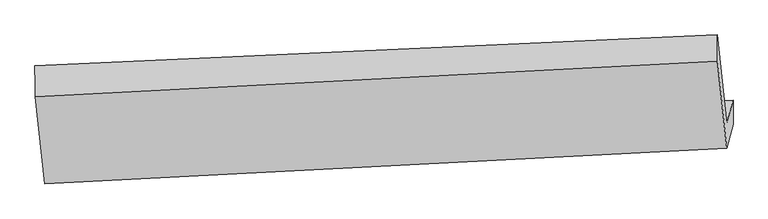
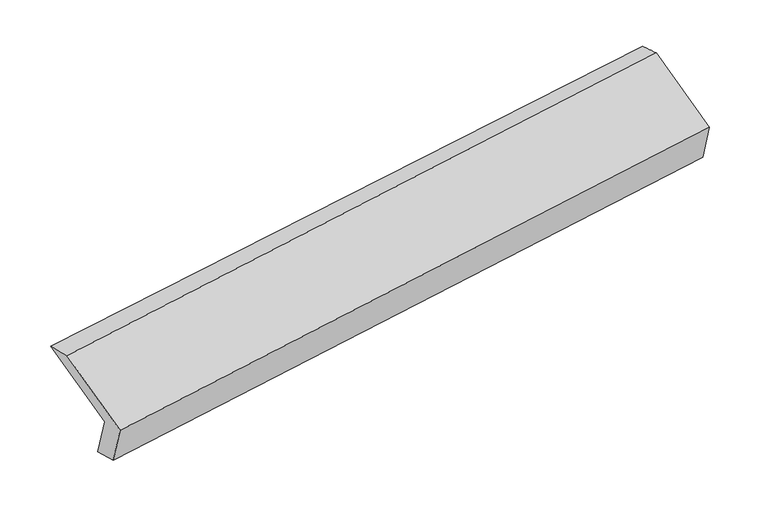
"""IFC4 building model written with IfcOpenShell, lengths in millimetres: proxy geometry."""

from ifc_helpers import new_model, si_unit, frame, origin, place, context, project, spatial, source, transform, mapped, element, save
from ifc_brep_helpers import plane_surface, spline_surface, advanced_brep


def generic_models_6a5c8326(model_context):
    return source(origin(), model_context, "Body", "AdvancedBrep", [
        advanced_brep(
        [(-5174.5609998, -1608.9588841, 1224.1713497), (-5218.440584, -1775.361159, 1585.2954607), (-489.230111, -1563.2215679, 2268.7630395), (-446.4474281, -1400.9790151, 1916.6663047), (-5173.4819612, -1814.6673976, 1280.1414315), (-446.3605998, -1569.1864383, 1968.0473084), (-5217.3615454, -1981.0696725, 1641.2655425), (-490.111812, -1735.1018944, 2328.1149313), (-5282.1807199, -1376.6374308, 1911.9056317), (-554.7981432, -1131.9084027, 2598.2003587), (-5284.2338654, -1161.8454695, 1860.002747), (-555.0233924, -949.7058784, 2543.4703258)],
        [
            (0, 1),
            (1, 2),
            (2, 3),
            (3, 0),
            (4, 0),
            (3, 5),
            (5, 4),
            (6, 4),
            (5, 7),
            (7, 6),
            (8, 6),
            (7, 9),
            (9, 8),
            (10, 8),
            (9, 11),
            (11, 10),
            (1, 10),
            (11, 2),
        ],
        [
            plane_surface(frame((-5196.5007919, -1692.1600216, 1404.7334052), z_axis=(-0.09947857334968623, 0.9082522128203852, 0.40642580054812605), x_axis=(-0.10969013136305134, -0.4159722046116481, 0.9027376141892404))),
            spline_surface(1, 1, [[(-5173.4819612, -1814.6673976, 1280.1414315), (-446.3605998, -1569.1864383, 1968.0473084)], [(-5174.5609998, -1608.9588841, 1224.1713497), (-446.4474281, -1400.9790151, 1916.6663047)]], [2, 2], [2, 2], [0.0, 1.0], [0.0, 1.0]),
            plane_surface(frame((-5195.4217533, -1897.8685351, 1460.703487), z_axis=(0.10615340399979084, -0.9079261932868469, -0.4054645266393999), x_axis=(0.10969013136302995, 0.4159722046116494, -0.9027376141892424))),
            plane_surface(frame((-5249.7711326, -1678.8535516, 1776.5855871), z_axis=(-0.10952393171280159, -0.4159649197645198, 0.9027611499768177), x_axis=(0.09741068461493951, -0.9083447746786061, -0.4067197177872265))),
            spline_surface(1, 1, [[(-5284.2338654, -1161.8454695, 1860.002747), (-555.0233924, -949.7058784, 2543.4703258)], [(-5282.1807199, -1376.6374308, 1911.9056317), (-554.7981432, -1131.9084027, 2598.2003587)]], [2, 2], [2, 2], [0.0, 1.0], [0.0, 1.0]),
            plane_surface(frame((-5251.3372247, -1468.6033143, 1722.6491039), z_axis=(0.11175799326033926, 0.4160618720964069, -0.9024426128735584), x_axis=(-0.0974106846149399, 0.9083447746786113, 0.4067197177872148))),
            plane_surface(frame((-496.9952477, -1391.6838661, 2270.5437114), z_axis=(0.9891810924216102, 0.0433231497538159, 0.1401565948894246), x_axis=(0.09741068461493951, -0.9083447746786061, -0.4067197177872265))),
            plane_surface(frame((-5225.0432793, -1619.7566689, 1583.7970272), z_axis=(-0.9891810924216083, -0.04332314975380432, -0.14015659488944232), x_axis=(0.109690131363051, 0.41597220461164786, -0.9027376141892405))),
        ],
        [
            (0, [[1, 2, 3, 4]]),
            (1, [[5, -4, 6, 7]]),
            (2, [[8, -7, 9, 10]]),
            (3, [[11, -10, 12, 13]]),
            (4, [[14, -13, 15, 16]]),
            (5, [[17, -16, 18, -2]]),
            (6, [[-12, -9, -6, -3, -18, -15]]),
            (7, [[-1, -5, -8, -11, -14, -17]]),
        ],
    ),
    ])


if __name__ == "__main__":
    model = new_model("IFC4")
    model_context = context("Model", 3, world=origin())
    ifc_project = project(units=[si_unit("LENGTHUNIT", "METRE", prefix="MILLI")], contexts=[model_context])
    site = spatial("IfcSite", under=ifc_project)
    building = spatial("IfcBuilding", under=site)
    placement = place(None, origin())
    generic_models_shape = generic_models_6a5c8326(model_context)
    element("IfcBuildingElementProxy", 1, Name="Generic Models", at=placement, inside=building, context=model_context, shape_type="MappedRepresentation", body=[
        mapped(generic_models_shape, transform((0.0, 0.0, 0.0), x_axis=(1.0, 0.0, 0.0), y_axis=(0.0, 1.0, 0.0), z_axis=(0.0, 0.0, 1.0))),
    ])
    save(model, "model.ifc")
